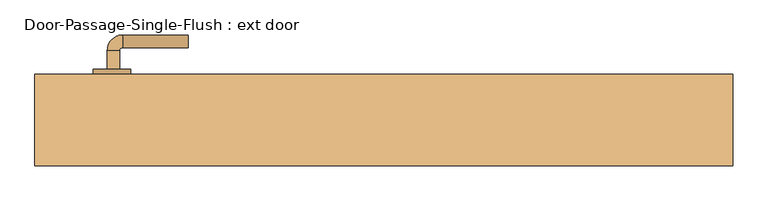
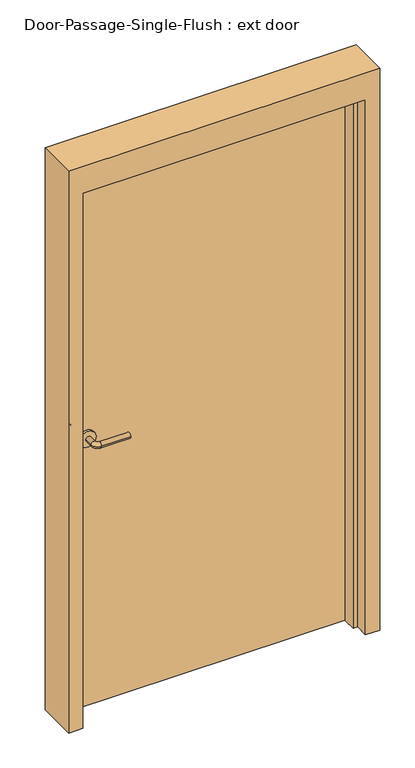
"""IFC4 building model written with IfcOpenShell, lengths in millimetres: door geometry, Door-Passage-Single-Flush : ext door."""

from ifc_helpers import new_model, si_unit, point, frame, frame_2d, origin, origin_with_axes, place, context, project, spatial, polyline, circle_curve, ellipse_curve, trimmed, segment, composite_curve, outline, extrude, faceted_brep, source, transform, mapped, element, save
from ifc_brep_helpers import plane_surface, cylinder_surface, revolved_surface, advanced_brep


def door_passage_single_flush_ext_door_cccacf25(model_context):
    return source(origin(), model_context, "Body", "SolidModel", [
        advanced_brep(
        [(-442.990625, 80.9, 1016.0), (-422.990625, 80.9, 1016.0), (-422.990625, 50.9, 1016.0), (-442.990625, 50.9, 1016.0), (-417.990625, 45.9, 1016.0), (-417.990625, 25.9, 1016.0), (-312.990625, 25.9, 1016.0), (-312.990625, 45.9, 1016.0)],
        [
            (0, 1, circle_curve(frame((-432.990625, 80.9, 1016.0), z_axis=(0.0, 1.0, 0.0), x_axis=(1.0, 0.0, 0.0)), 10.0)),
            (1, 0, circle_curve(frame((-432.990625, 80.9, 1016.0), z_axis=(0.0, 1.0, 0.0), x_axis=(1.0, 0.0, 0.0)), 10.0)),
            (1, 2),
            (2, 3, circle_curve(frame((-432.990625, 50.9, 1016.0), z_axis=(0.0, 1.0, 0.0), x_axis=(1.0, 0.0, 0.0)), 10.0)),
            (3, 0),
            (3, 2, circle_curve(frame((-432.990625, 50.9, 1016.0), z_axis=(0.0, 1.0, 0.0), x_axis=(1.0, 0.0, 0.0)), 10.0)),
            (4, 5, circle_curve(frame((-417.990625, 35.9, 1016.0), z_axis=(-1.0, 0.0, 0.0), x_axis=(0.0, 1.0, 0.0)), 10.0)),
            (5, 3, circle_curve(frame((-417.990625, 50.9, 1016.0), z_axis=(0.0, 0.0, -1.0), x_axis=(-1.0, 0.0, 0.0)), 25.0)),
            (2, 4, circle_curve(frame((-417.990625, 50.9, 1016.0), z_axis=(0.0, 0.0, 1.0), x_axis=(-1.0, 0.0, 0.0)), 5.0)),
            (5, 4, circle_curve(frame((-417.990625, 35.9, 1016.0), z_axis=(-1.0, 0.0, 0.0), x_axis=(0.0, 1.0, 0.0)), 10.0)),
            (6, 7, circle_curve(frame((-312.990625, 35.9, 1016.0), z_axis=(1.0, 0.0, 0.0), x_axis=(0.0, 1.0, 0.0)), 10.0)),
            (7, 6, circle_curve(frame((-312.990625, 35.9, 1016.0), z_axis=(1.0, 0.0, 0.0), x_axis=(0.0, 1.0, 0.0)), 10.0)),
            (4, 7),
            (6, 5),
        ],
        [
            plane_surface(frame((-432.990625, 80.9, 1016.0), z_axis=(0.0, 1.0, 0.0), x_axis=(0.0, 0.0, 1.0))),
            cylinder_surface(frame((-432.990625, 80.9, 1016.0), z_axis=(0.0, 1.0, 0.0), x_axis=(1.0, 0.0, 0.0)), 10.0),
            revolved_surface(trimmed(ellipse_curve(frame((-432.990625, 50.9, 1016.0), z_axis=(0.0, -1.0, 0.0), x_axis=(1.0, 0.0, 0.0)), 10.0, 10.0), [point((-442.990625, 50.9, 1016.0))], [point((-422.990625, 50.9, 1016.0))], True, "CARTESIAN"), (-417.990625, 50.9, 1016.0), (0.0, 0.0, -1.0)),
            revolved_surface(trimmed(ellipse_curve(frame((-432.990625, 50.9, 1016.0), z_axis=(0.0, -1.0, 0.0), x_axis=(1.0, 0.0, 0.0)), 10.0, 10.0), [point((-422.990625, 50.9, 1016.0))], [point((-442.990625, 50.9, 1016.0))], True, "CARTESIAN"), (-417.990625, 50.9, 1016.0), (0.0, 0.0, -1.0)),
            plane_surface(frame((-312.990625, 35.9, 1016.0), z_axis=(1.0, 0.0, 0.0), x_axis=(0.0, 0.0, 1.0))),
            cylinder_surface(frame((-417.990625, 35.9, 1016.0), z_axis=(-1.0, 0.0, 0.0), x_axis=(0.0, 1.0, 0.0)), 10.0),
        ],
        [
            (0, [[1, 2]]),
            (1, [[3, 4, 5, -2]]),
            (1, [[-5, 6, -3, -1]]),
            (2, [[7, 8, -4, 9]]),
            (3, [[10, -9, -6, -8]]),
            (4, [[11, 12]]),
            (5, [[13, -11, 14, -7]]),
            (5, [[-14, -12, -13, -10]]),
        ],
    ),
        extrude(outline(composite_curve([segment(trimmed(circle_curve(frame_2d((1016.0, -435.490625)), 30.0), [point((1016.0, -465.490625))], [point((1016.0, -405.490625))], False, "CARTESIAN"), True, "CONTINUOUS"), segment(trimmed(circle_curve(frame_2d((1016.0, -435.490625)), 30.0), [point((1016.0, -405.490625))], [point((1016.0, -465.490625))], False, "CARTESIAN"), True, "CONTINUOUS")], self_intersect=False)), frame((0.0, 80.9, 0.0), z_axis=(0.0, 1.0, 0.0), x_axis=(0.0, 0.0, 1.0)), (0.0, 0.0, 1.0), 8.0),
        advanced_brep(
        [(-442.990625, 141.35, 1016.0), (-422.990625, 141.35, 1016.0), (-442.990625, 171.35, 1016.0), (-422.990625, 171.35, 1016.0), (-417.990625, 176.35, 1016.0), (-417.990625, 196.35, 1016.0), (-312.990625, 196.35, 1016.0), (-312.990625, 176.35, 1016.0)],
        [
            (0, 1, circle_curve(frame((-432.990625, 141.35, 1016.0), z_axis=(0.0, -1.0, 0.0), x_axis=(1.0, 0.0, 0.0)), 10.0)),
            (1, 0, circle_curve(frame((-432.990625, 141.35, 1016.0), z_axis=(0.0, -1.0, 0.0), x_axis=(1.0, 0.0, 0.0)), 10.0)),
            (0, 2),
            (2, 3, circle_curve(frame((-432.990625, 171.35, 1016.0), z_axis=(0.0, -1.0, 0.0), x_axis=(1.0, 0.0, 0.0)), 10.0)),
            (3, 1),
            (3, 2, circle_curve(frame((-432.990625, 171.35, 1016.0), z_axis=(0.0, -1.0, 0.0), x_axis=(1.0, 0.0, 0.0)), 10.0)),
            (4, 3, circle_curve(frame((-417.990625, 171.35, 1016.0), z_axis=(0.0, 0.0, 1.0), x_axis=(-1.0, 0.0, 0.0)), 5.0)),
            (2, 5, circle_curve(frame((-417.990625, 171.35, 1016.0), z_axis=(0.0, 0.0, -1.0), x_axis=(-1.0, 0.0, 0.0)), 25.0)),
            (5, 4, circle_curve(frame((-417.990625, 186.35, 1016.0), z_axis=(-1.0, 0.0, 0.0), x_axis=(0.0, -1.0, 0.0)), 10.0)),
            (4, 5, circle_curve(frame((-417.990625, 186.35, 1016.0), z_axis=(-1.0, 0.0, 0.0), x_axis=(0.0, -1.0, 0.0)), 10.0)),
            (6, 7, circle_curve(frame((-312.990625, 186.35, 1016.0), z_axis=(1.0, 0.0, 0.0), x_axis=(0.0, -1.0, 0.0)), 10.0)),
            (7, 6, circle_curve(frame((-312.990625, 186.35, 1016.0), z_axis=(1.0, 0.0, 0.0), x_axis=(0.0, -1.0, 0.0)), 10.0)),
            (5, 6),
            (7, 4),
        ],
        [
            plane_surface(frame((-432.990625, 141.35, 1016.0), z_axis=(0.0, -1.0, 0.0), x_axis=(0.0, 0.0, 1.0))),
            cylinder_surface(frame((-432.990625, 141.35, 1016.0), z_axis=(0.0, -1.0, 0.0), x_axis=(1.0, 0.0, 0.0)), 10.0),
            revolved_surface(trimmed(ellipse_curve(frame((-432.990625, 171.35, 1016.0), z_axis=(0.0, -1.0, 0.0), x_axis=(1.0, 0.0, 0.0)), 10.0, 10.0), [point((-442.990625, 171.35, 1016.0))], [point((-422.990625, 171.35, 1016.0))], True, "CARTESIAN"), (-417.990625, 171.35, 1016.0), (0.0, 0.0, -1.0)),
            revolved_surface(trimmed(ellipse_curve(frame((-432.990625, 171.35, 1016.0), z_axis=(0.0, -1.0, 0.0), x_axis=(1.0, 0.0, 0.0)), 10.0, 10.0), [point((-422.990625, 171.35, 1016.0))], [point((-442.990625, 171.35, 1016.0))], True, "CARTESIAN"), (-417.990625, 171.35, 1016.0), (0.0, 0.0, -1.0)),
            plane_surface(frame((-312.990625, 186.35, 1016.0), z_axis=(1.0, 0.0, 0.0), x_axis=(0.0, 0.0, 1.0))),
            cylinder_surface(frame((-417.990625, 186.35, 1016.0), z_axis=(-1.0, 0.0, 0.0), x_axis=(0.0, -1.0, 0.0)), 10.0),
        ],
        [
            (0, [[1, 2]]),
            (1, [[-1, 3, 4, 5]]),
            (1, [[-2, -5, 6, -3]]),
            (2, [[7, -4, 8, 9]]),
            (3, [[-8, -6, -7, 10]]),
            (4, [[11, 12]]),
            (5, [[-9, 13, -12, 14]]),
            (5, [[-10, -14, -11, -13]]),
        ],
    ),
        extrude(outline(composite_curve([segment(trimmed(circle_curve(frame_2d((1016.0, -435.490625)), 30.0), [point((1016.0, -465.490625))], [point((1016.0, -405.490625))], False, "CARTESIAN"), True, "CONTINUOUS"), segment(trimmed(circle_curve(frame_2d((1016.0, -435.490625)), 30.0), [point((1016.0, -405.490625))], [point((1016.0, -465.490625))], False, "CARTESIAN"), True, "CONTINUOUS")], self_intersect=False)), frame((0.0, 133.35, 0.0), z_axis=(0.0, 1.0, 0.0), x_axis=(0.0, 0.0, 1.0)), (0.0, 0.0, 1.0), 8.0),
        faceted_brep([(508.0, 84.1375, 0.0), (508.0, 133.35, 0.0), (558.8, 133.35, 0.0), (558.8, -12.7, 0.0), (508.0, -12.7, 0.0), (508.0, 36.5125, 0.0), (492.125, 36.5125, 0.0), (492.125, 84.1375, 0.0), (508.0, 84.1375, 2032.0), (508.0, 133.35, 2032.0), (-508.0, 133.35, 2032.0), (-508.0, 133.35, 0.0), (-558.8, 133.35, 0.0), (-558.8, 133.35, 2133.6), (558.8, 133.35, 2133.6), (558.8, -12.7, 2133.6), (-558.8, -12.7, 2133.6), (-558.8, -12.7, 0.0), (-508.0, -12.7, 0.0), (-508.0, -12.7, 2032.0), (508.0, -12.7, 2032.0), (508.0, 36.5125, 2032.0), (-508.0, 36.5125, 2032.0), (-508.0, 36.5125, 0.0), (-492.125, 36.5125, 0.0), (-492.125, 36.5125, 2016.125), (492.125, 36.5125, 2016.125), (492.125, 84.1375, 2016.125), (-492.125, 84.1375, 2016.125), (-492.125, 84.1375, 0.0), (-508.0, 84.1375, 0.0), (-508.0, 84.1375, 2032.0)], [[[0, 1, 2, 3, 4, 5, 6, 7]], [[1, 0, 8, 9]], [[2, 1, 9, 10, 11, 12, 13, 14]], [[3, 2, 14, 15]], [[4, 3, 15, 16, 17, 18, 19, 20]], [[5, 4, 20, 21]], [[6, 5, 21, 22, 23, 24, 25, 26]], [[7, 6, 26, 27]], [[0, 7, 27, 28, 29, 30, 31, 8]], [[9, 8, 31, 10]], [[20, 19, 22, 21]], [[26, 25, 28, 27]], [[12, 11, 30, 29, 24, 23, 18, 17]], [[11, 10, 31, 30]], [[13, 12, 17, 16]], [[19, 18, 23, 22]], [[25, 24, 29, 28]], [[15, 14, 13, 16]]]),
        extrude(outline(polyline([(508.0, 88.9), (-508.0, 88.9), (-508.0, 133.35), (508.0, 133.35), (508.0, 88.9)])), origin_with_axes(), (0.0, 0.0, 1.0), 2032.0),
    ])


if __name__ == "__main__":
    model = new_model("IFC4")
    model_context = context("Model", 3, world=origin())
    ifc_project = project(units=[si_unit("LENGTHUNIT", "METRE", prefix="MILLI")], contexts=[model_context])
    site = spatial("IfcSite", under=ifc_project)
    building = spatial("IfcBuilding", under=site)
    placement = place(None, origin())
    door_passage_single_flush_ext_door_shape = door_passage_single_flush_ext_door_cccacf25(model_context)
    element("IfcDoor", 1, ObjectType="Door-Passage-Single-Flush : ext door", at=placement, inside=building, context=model_context, shape_type="MappedRepresentation", body=[
        mapped(door_passage_single_flush_ext_door_shape, transform((0.0, 0.0, 0.0), x_axis=(1.0, 0.0, 0.0), y_axis=(0.0, 1.0, 0.0), z_axis=(0.0, 0.0, 1.0))),
    ])
    save(model, "model.ifc")
